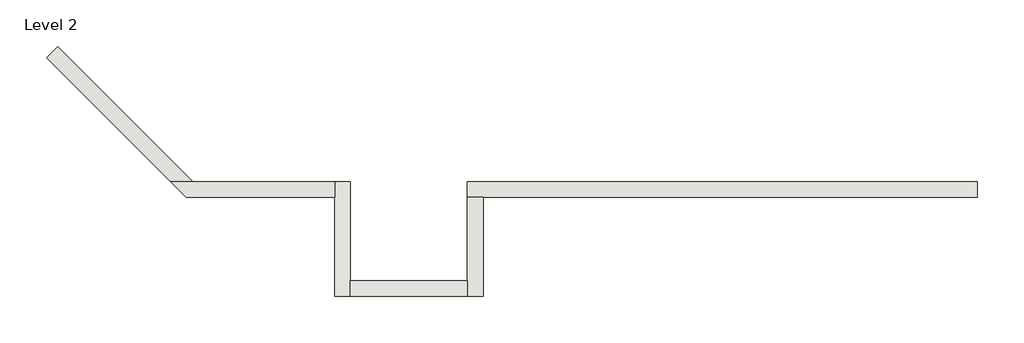
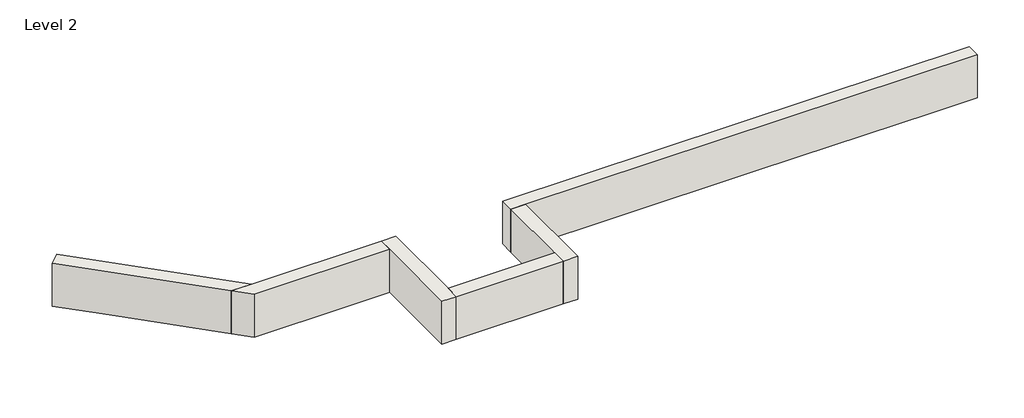
# One storey: 6 walls.
"""IFC4 building model written with IfcOpenShell, lengths in millimetres."""

from ifc_helpers import new_model, si_unit, frame, origin, place, context, project, spatial, polyline, outline, extrude, faceted_brep, element, save

model = new_model("IFC4")

# Units and contexts
model_context = context("Model", 3, world=origin())
ifc_project = project(units=[si_unit("LENGTHUNIT", "METRE", prefix="MILLI")], contexts=[model_context])

# Site, building, storey
site = spatial("IfcSite", under=ifc_project)
building = spatial("IfcBuilding", under=site)
storey = spatial("IfcBuildingStorey", under=building, Name="Level 2", Elevation=3048.0)

# Walls
placement = place(None, origin())
element("IfcWall", 1, ObjectType="Generic - 8\" Brick", at=placement, inside=storey, context=model_context, shape_type="Brep", body=[
    faceted_brep([(7924.8, 1412.8726187, 3048.0), (7315.2, 1412.8726187, 3048.0), (5486.4, 1412.8726187, 3048.0), (4876.8, 1412.8726187, 3048.0), (3048.0, 1412.8726187, 3048.0), (1635.1273813, 1412.8726187, 3048.0), (1635.1273813, 1412.8726187, 3657.6), (7924.8, 1412.8726187, 3657.6), (7924.8, 1219.1976187, 3048.0), (7924.8, 1219.1976187, 3657.6), (1828.8023813, 1219.1976187, 3657.6), (1635.1273813, 1219.1976187, 3657.6), (1635.1273813, 1219.1976187, 3048.0), (1828.8023813, 1219.1976187, 3048.0), (3048.0, 1219.1976187, 3048.0), (4876.8, 1219.1976187, 3048.0), (5486.4, 1219.1976187, 3048.0), (7315.2, 1219.1976187, 3048.0)], [[[0, 1, 2, 3, 4, 5, 6, 7]], [[8, 9, 10, 11, 12, 13, 14, 15, 16, 17]], [[5, 4, 3, 2, 1, 0, 8, 17, 16, 15, 14, 13, 12]], [[7, 6, 11, 10, 9]], [[0, 7, 9, 8]], [[6, 5, 12, 11]]]),
])
element("IfcWall", 2, ObjectType="Generic - 8\" Brick", at=placement, inside=storey, context=model_context, shape_type="Brep", body=[
    faceted_brep([(1635.1273813, 1219.1976187, 3048.0), (1635.1273813, 193.675, 3048.0), (1635.1273813, 0.0, 3048.0), (1635.1273813, 0.0, 3657.6), (1635.1273813, 193.675, 3657.6), (1635.1273813, 1219.1976187, 3657.6), (1828.8023813, 1219.1976187, 3048.0), (1828.8023813, 1219.1976187, 3657.6), (1828.8023813, 0.0, 3657.6), (1828.8023813, 0.0, 3048.0)], [[[0, 1, 2, 3, 4, 5]], [[6, 7, 8, 9]], [[2, 1, 0, 6, 9]], [[5, 4, 3, 8, 7]], [[0, 5, 7, 6]], [[3, 2, 9, 8]]]),
])
element("IfcWall", 3, ObjectType="Generic - 8\" Brick", at=placement, inside=storey, context=model_context, shape_type="SweptSolid", body=[
    extrude(outline(polyline([(193.675, 193.675), (1635.1273813, 193.675), (1635.1273813, 0.0), (193.675, 0.0), (193.675, 193.675)])), frame((0.0, 0.0, 3048.0), z_axis=(0.0, 0.0, 1.0), x_axis=(1.0, 0.0, 0.0)), (0.0, 0.0, 1.0), 609.6),
])
element("IfcWall", 4, ObjectType="Generic - 8\" Brick", at=placement, inside=storey, context=model_context, shape_type="Brep", body=[
    faceted_brep([(193.675, 0.0, 3048.0), (193.675, 193.675, 3048.0), (193.675, 1219.1976187, 3048.0), (193.675, 1412.8726187, 3048.0), (193.675, 1412.8726187, 3657.6), (193.675, 193.675, 3657.6), (193.675, 0.0, 3657.6), (0.0, 0.0, 3048.0), (0.0, 0.0, 3657.6), (0.0, 1219.1976187, 3657.6), (0.0, 1412.8726187, 3657.6), (0.0, 1412.8726187, 3048.0), (0.0, 1219.1976187, 3048.0)], [[[0, 1, 2, 3, 4, 5, 6]], [[7, 8, 9, 10, 11, 12]], [[3, 2, 1, 0, 7, 12, 11]], [[6, 5, 4, 10, 9, 8]], [[0, 6, 8, 7]], [[4, 3, 11, 10]]]),
])
element("IfcWall", 5, ObjectType="Generic - 8\" Brick", at=placement, inside=storey, context=model_context, shape_type="Brep", body=[
    faceted_brep([(0.0, 1412.8726187, 3048.0), (-609.6, 1412.8726187, 3048.0), (-1748.5781747, 1412.8726187, 3048.0), (-2022.4759863, 1412.8726187, 3048.0), (-2022.4759863, 1412.8726187, 3657.6), (-1748.5781747, 1412.8726187, 3657.6), (0.0, 1412.8726187, 3657.6), (0.0, 1219.1976187, 3048.0), (0.0, 1219.1976187, 3657.6), (-1828.8009863, 1219.1976187, 3657.6), (-1828.8009863, 1219.1976187, 3048.0), (-609.6, 1219.1976187, 3048.0)], [[[0, 1, 2, 3, 4, 5, 6]], [[7, 8, 9, 10, 11]], [[3, 2, 1, 0, 7, 11, 10]], [[6, 5, 4, 9, 8]], [[0, 6, 8, 7]], [[4, 3, 10, 9]]]),
])
element("IfcWall", 6, ObjectType="Generic - 8\" Brick", at=placement, inside=storey, context=model_context, shape_type="Brep", body=[
    faceted_brep([(-1748.5781747, 1412.8726187, 3048.0), (-2985.0096594, 2649.3041035, 3048.0), (-3416.0619532, 3080.3563973, 3048.0), (-3416.0619532, 3080.3563973, 3657.6), (-1748.5781747, 1412.8726187, 3657.6), (-2022.4759863, 1412.8726187, 3048.0), (-2022.4759863, 1412.8726187, 3657.6), (-3553.010859, 2943.4074914, 3657.6), (-3553.010859, 2943.4074914, 3048.0), (-3121.9585652, 2512.3551976, 3048.0)], [[[0, 1, 2, 3, 4]], [[5, 6, 7, 8, 9]], [[2, 1, 0, 5, 9, 8]], [[3, 2, 8, 7]], [[4, 3, 7, 6]], [[0, 4, 6, 5]]]),
])

save(model, "model.ifc")
